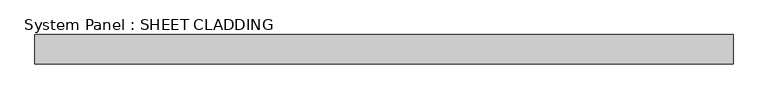
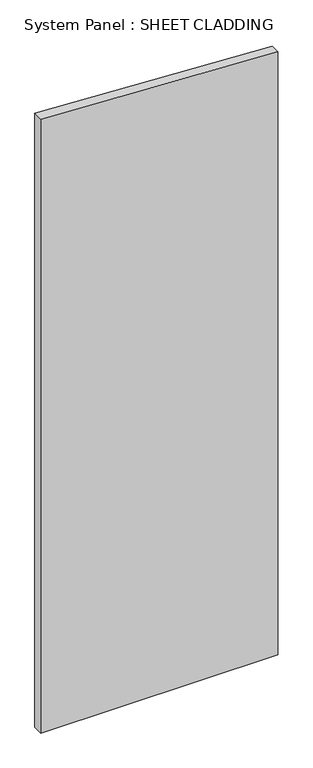
"""IFC4 building model written with IfcOpenShell, lengths in millimetres: plate geometry, System Panel : SHEET CLADDING."""

from ifc_helpers import new_model, si_unit, frame, origin, place, context, project, spatial, polyline, outline, extrude, source, transform, mapped, element, save


def system_panel_sheet_cladding_8ca2e0c5(model_context):
    return source(origin(), model_context, "Body", "SweptSolid", [
        extrude(outline(polyline([(0.0, -718.75), (0.0, 718.75), (3863.225, 718.75), (3935.1, -718.75), (0.0, -718.75)])), frame((0.0, -49.5, 0.0), z_axis=(0.0, 1.0, 0.0), x_axis=(0.0, 0.0, 1.0)), (0.0, 0.0, 1.0), 60.0),
    ])


if __name__ == "__main__":
    model = new_model("IFC4")
    model_context = context("Model", 3, world=origin())
    ifc_project = project(units=[si_unit("LENGTHUNIT", "METRE", prefix="MILLI")], contexts=[model_context])
    site = spatial("IfcSite", under=ifc_project)
    building = spatial("IfcBuilding", under=site)
    placement = place(None, origin())
    system_panel_sheet_cladding_shape = system_panel_sheet_cladding_8ca2e0c5(model_context)
    element("IfcPlate", 1, ObjectType="System Panel : SHEET CLADDING", at=placement, inside=building, context=model_context, shape_type="MappedRepresentation", body=[
        mapped(system_panel_sheet_cladding_shape, transform((0.0, 0.0, 0.0), x_axis=(1.0, 0.0, 0.0), y_axis=(0.0, 1.0, 0.0), z_axis=(0.0, 0.0, 1.0))),
    ])
    save(model, "model.ifc")
